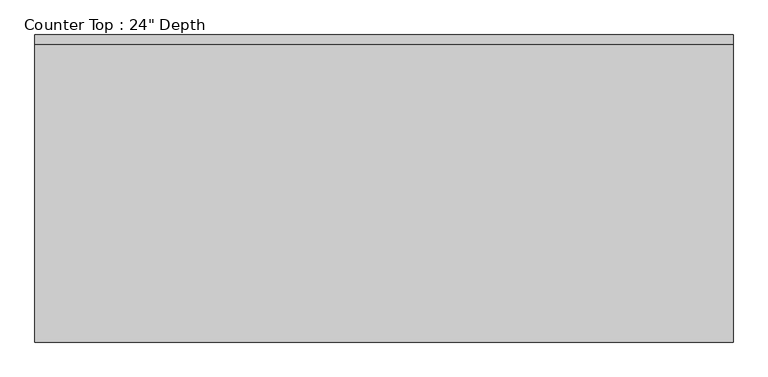
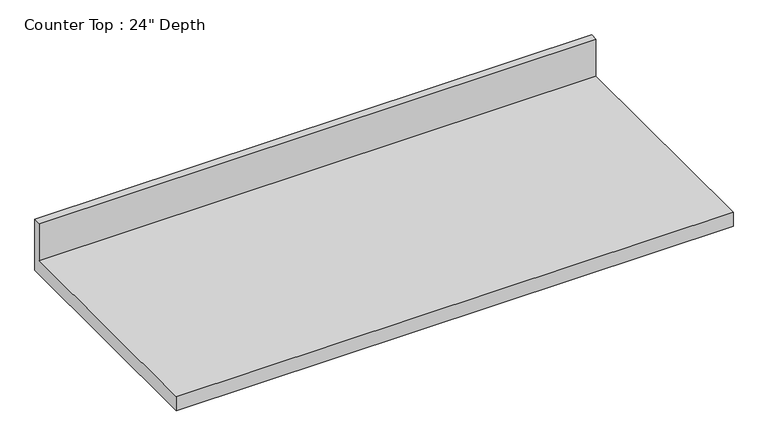
"""IFC4 building model written with IfcOpenShell, lengths in millimetres: furniture geometry."""

from ifc_helpers import new_model, si_unit, frame, origin, place, context, project, spatial, polyline, outline, extrude, source, transform, mapped, element, save


def furniture_05a31f6d(model_context):
    return source(origin(), model_context, "Body", "SweptSolid", [
        extrude(outline(polyline([(0.0, 1016.0), (0.0, 876.3), (-635.0, 876.3), (-635.0, 914.4), (-19.05, 914.4), (-19.05, 1016.0), (0.0, 1016.0)])), frame((-1200.4622951, 0.0, 0.0), z_axis=(1.0, 0.0, 0.0), x_axis=(0.0, 1.0, 0.0)), (0.0, 0.0, 1.0), 1443.4902692),
    ])


if __name__ == "__main__":
    model = new_model("IFC4")
    model_context = context("Model", 3, world=origin())
    ifc_project = project(units=[si_unit("LENGTHUNIT", "METRE", prefix="MILLI")], contexts=[model_context])
    site = spatial("IfcSite", under=ifc_project)
    building = spatial("IfcBuilding", under=site)
    placement = place(None, origin())
    furniture_shape = furniture_05a31f6d(model_context)
    element("IfcFurniture", 1, ObjectType="Counter Top : 24\" Depth", at=placement, inside=building, context=model_context, shape_type="MappedRepresentation", body=[
        mapped(furniture_shape, transform((0.0, 0.0, 0.0), x_axis=(1.0, 0.0, 0.0), y_axis=(0.0, 1.0, 0.0), z_axis=(0.0, 0.0, 1.0))),
    ])
    save(model, "model.ifc")
